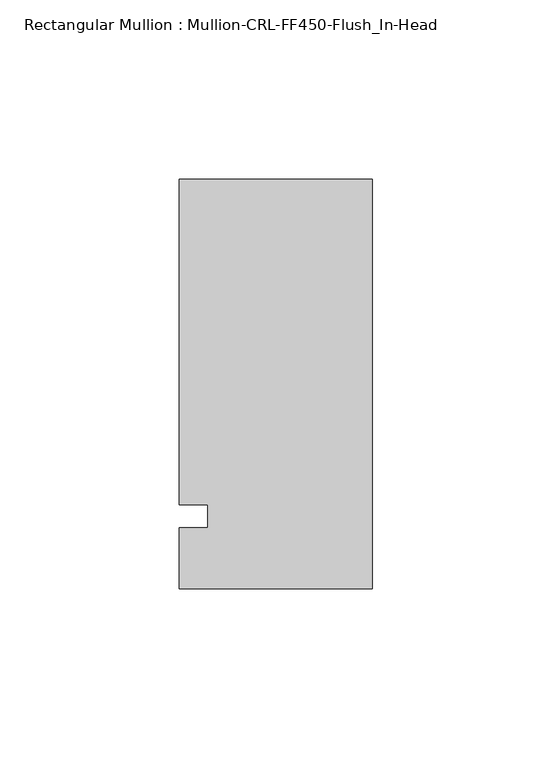
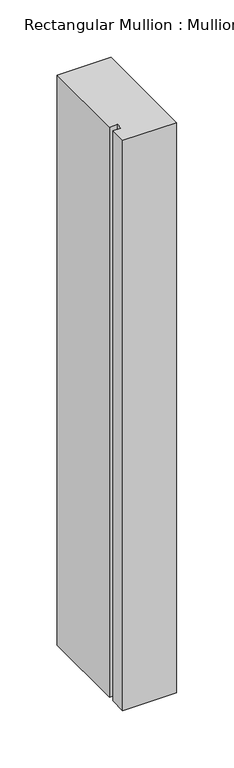
"""IFC4 building model written with IfcOpenShell, lengths in millimetres: member geometry, Rectangular Mullion : Mullion-CRL-FF450-Flush_In-Head."""

from ifc_helpers import new_model, si_unit, frame, origin, place, context, project, spatial, polyline, outline, extrude, source, transform, mapped, element, save


def rectangular_mullion_mullion_crl_ff450_flush_in_head_c89d47e8(model_context):
    return source(origin(), model_context, "Body", "SweptSolid", [
        extrude(outline(polyline([(0.0, 94.1598412), (0.0, -20.1219975), (-53.9750401, -20.1219975), (-53.9750401, -3.1555912), (-46.0375401, -3.1555912), (-46.0375401, 3.1944088), (-53.9750401, 3.1944088), (-53.9750401, 94.1598412), (0.0, 94.1598412)])), frame((0.0, 0.0, -606.4249599), z_axis=(0.0, 0.0, 1.0), x_axis=(1.0, 0.0, 0.0)), (0.0, 0.0, 1.0), 606.4249599),
    ])


if __name__ == "__main__":
    model = new_model("IFC4")
    model_context = context("Model", 3, world=origin())
    ifc_project = project(units=[si_unit("LENGTHUNIT", "METRE", prefix="MILLI")], contexts=[model_context])
    site = spatial("IfcSite", under=ifc_project)
    building = spatial("IfcBuilding", under=site)
    placement = place(None, origin())
    rectangular_mullion_mullion_crl_ff450_flush_in_head_shape = rectangular_mullion_mullion_crl_ff450_flush_in_head_c89d47e8(model_context)
    element("IfcMember", 1, ObjectType="Rectangular Mullion : Mullion-CRL-FF450-Flush_In-Head", at=placement, inside=building, context=model_context, shape_type="MappedRepresentation", body=[
        mapped(rectangular_mullion_mullion_crl_ff450_flush_in_head_shape, transform((0.0, 0.0, 0.0), x_axis=(1.0, 0.0, 0.0), y_axis=(0.0, 1.0, 0.0), z_axis=(0.0, 0.0, 1.0))),
    ])
    save(model, "model.ifc")
